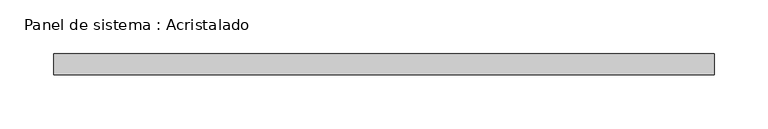
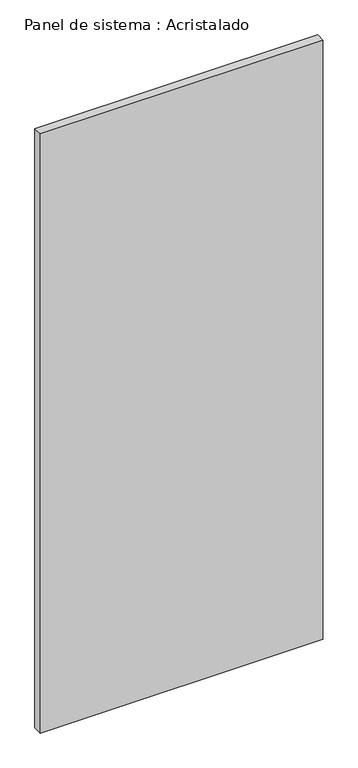
"""IFC4 building model written with IfcOpenShell, lengths in millimetres: plate geometry, Panel de sistema : Acristalado."""

from ifc_helpers import new_model, si_unit, origin, origin_with_axes, place, context, project, spatial, polyline, outline, extrude, source, transform, mapped, element, save


def panel_de_sistema_acristalado_4ec1bef4(model_context):
    return source(origin(), model_context, "Body", "SweptSolid", [
        extrude(outline(polyline([(308.5, -10.0), (-308.5, -10.0), (-308.5, 10.0), (308.5, 10.0), (308.5, -10.0)])), origin_with_axes(), (0.0, 0.0, 1.0), 1382.4904288),
    ])


if __name__ == "__main__":
    model = new_model("IFC4")
    model_context = context("Model", 3, world=origin())
    ifc_project = project(units=[si_unit("LENGTHUNIT", "METRE", prefix="MILLI")], contexts=[model_context])
    site = spatial("IfcSite", under=ifc_project)
    building = spatial("IfcBuilding", under=site)
    placement = place(None, origin())
    panel_de_sistema_acristalado_shape = panel_de_sistema_acristalado_4ec1bef4(model_context)
    element("IfcPlate", 1, ObjectType="Panel de sistema : Acristalado", at=placement, inside=building, context=model_context, shape_type="MappedRepresentation", body=[
        mapped(panel_de_sistema_acristalado_shape, transform((0.0, 0.0, 0.0), x_axis=(1.0, 0.0, 0.0), y_axis=(0.0, 1.0, 0.0), z_axis=(0.0, 0.0, 1.0))),
    ])
    save(model, "model.ifc")
